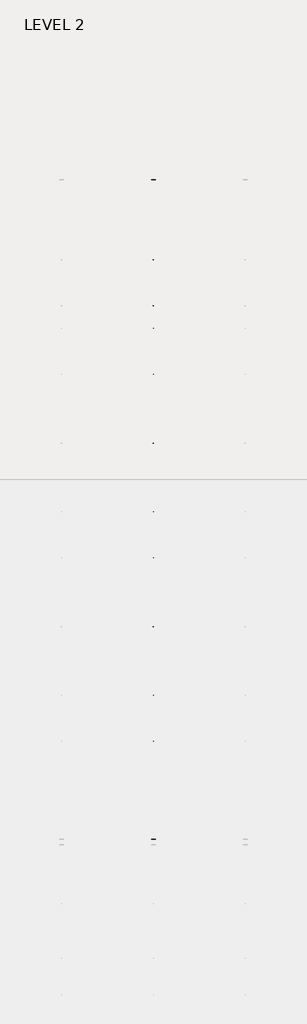
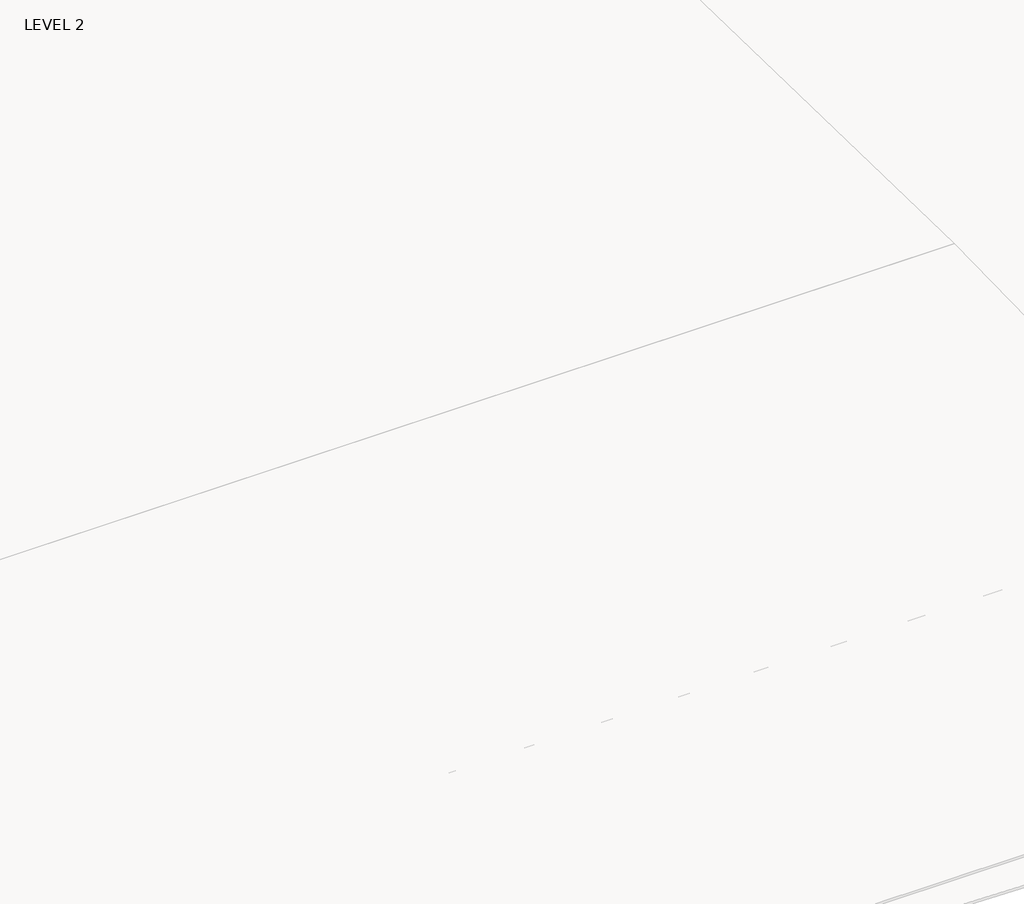
# One storey, part 60 of 67: 1 beam.
"""IFC4 building model written with IfcOpenShell, lengths in millimetres."""

from ifc_helpers import new_model, si_unit, frame, origin, place, context, project, spatial, polyline, outline, extrude, faceted_brep, element, save

model = new_model("IFC4")

# Units and contexts
model_context = context("Model", 3, world=origin())
ifc_project = project(units=[si_unit("LENGTHUNIT", "METRE", prefix="MILLI")], contexts=[model_context])

# Site, building, storey
site = spatial("IfcSite", under=ifc_project)
building = spatial("IfcBuilding", under=site)
storey = spatial("IfcBuildingStorey", under=building, Name="LEVEL 2", Elevation=6908.8)

# Beam
placement = place(None, origin())
element("IfcBeam", 1, ObjectType="K-Series Bar Joist-Angle Web : 30K7", at=placement, inside=storey, context=model_context, shape_type="SolidModel", body=[
    extrude(outline(polyline([(0.0, -9.525), (0.0, 0.0), (1596.011582, 0.0), (1596.011582, -9.525), (0.0, -9.525)])), frame((53750.3201342, 3035.5608234, 6301.5998528), z_axis=(0.0, -0.45537207995192985, 0.8903012236317849), x_axis=(0.0, -0.8903012236317849, -0.45537207995192985)), (0.0, 0.0, 1.0), 9.525),
    extrude(outline(polyline([(0.0, -9.525), (0.0, 0.0), (1596.011582, 0.0), (1596.011582, -9.525), (0.0, -9.525)])), frame((53740.7951342, -9405.2089013, 6276.405159), z_axis=(0.0, 0.45176233395621196, 0.8921383265046045), x_axis=(0.0, 0.8921383265046045, -0.45176233395621196)), (0.0, 0.0, 1.0), 9.525),
    extrude(outline(polyline([(4.7625, 4.7625), (4.7625, -4.7625), (-4.7625, -4.7625), (-4.7625, 4.7625), (4.7625, 4.7625)])), frame((53745.5576342, 1612.4610495, 5579.0607987), z_axis=(0.0, 0.5141906943646374, 0.8576758885667779), x_axis=(-1.0, 0.0, 0.0)), (0.0, 0.0, 1.0), 845.0528554),
    extrude(outline(polyline([(4.7625, 4.7625), (4.7625, -4.7625), (-4.7625, -4.7625), (-4.7625, 4.7625), (4.7625, 4.7625)])), frame((53745.5576342, -7979.1942813, 5559.6360505), z_axis=(0.0, -0.5176603441548682, 0.8555862131249332), x_axis=(-1.0, 0.0, 0.0)), (0.0, 0.0, 1.0), 845.0528554),
    extrude(outline(polyline([(0.0, 0.0), (31.75, 0.0), (31.75, -6.35), (6.35, -6.35), (6.35, -31.75), (0.0, -31.75), (0.0, 0.0)])), frame((53750.3201342, -8080.7812131, 5553.0803065), z_axis=(0.0, 0.9999979493462576, 0.0020251674695521043), x_axis=(1.0, 0.0, 0.0)), (0.0, 0.0, 1.0), 9794.875),
    extrude(outline(polyline([(-9.525, 0.0), (-9.525, -31.75), (-15.875, -31.75), (-15.875, -6.35), (-41.275, -6.35), (-41.275, 0.0), (-9.525, 0.0)])), frame((53750.3201342, -8080.7812131, 5553.0803065), z_axis=(0.0, 0.9999979493462576, 0.0020251674695521043), x_axis=(1.0, 0.0, 0.0)), (0.0, 0.0, 1.0), 9794.875),
    extrude(outline(polyline([(-31.75, 0.0), (0.0, 0.0), (0.0, -6.35), (-25.4, -6.35), (-25.4, -31.75), (-31.75, -31.75), (-31.75, 0.0)])), frame((53782.0701342, -9504.5928758, 6248.6982759), z_axis=(0.0, 0.9999979493462576, 0.0020251674695521043), x_axis=(1.0, 0.0, 0.0)), (0.0, 0.0, 1.0), 101.6),
    extrude(outline(polyline([(-41.275, 0.0), (-41.275, -31.75), (-47.625, -31.75), (-47.625, -6.35), (-73.025, -6.35), (-73.025, 0.0), (-41.275, 0.0)])), frame((53782.0701342, -9504.5928758, 6248.6982759), z_axis=(0.0, 0.9999979493462576, 0.0020251674695521043), x_axis=(1.0, 0.0, 0.0)), (0.0, 0.0, 1.0), 101.6),
    extrude(outline(polyline([(0.0, 0.0), (31.75, 0.0), (31.75, -6.35), (6.35, -6.35), (6.35, -31.75), (0.0, -31.75), (0.0, 0.0)])), frame((53740.7951342, 3033.456413, 6274.0899775), z_axis=(0.0, 0.9999979493462576, 0.0020251674695521043), x_axis=(0.0, -0.0020251674695521043, 0.9999979493462576)), (0.0, 0.0, 1.0), 101.6),
    extrude(outline(polyline([(0.0, 41.275), (6.35, 41.275), (6.35, 15.875), (31.75, 15.875), (31.75, 9.525), (0.0, 9.525), (0.0, 41.275)])), frame((53740.7951342, 3033.456413, 6274.0899775), z_axis=(0.0, 0.9999979493462576, 0.0020251674695521043), x_axis=(0.0, -0.0020251674695521043, 0.9999979493462576)), (0.0, 0.0, 1.0), 101.6),
    extrude(outline(polyline([(0.0, 0.0), (31.75, 0.0), (31.75, -6.35), (6.35, -6.35), (6.35, -31.75), (0.0, -31.75), (0.0, 0.0)])), frame((53750.3201342, -9504.7214739, 6312.1981457), z_axis=(0.0, 0.9999979493462576, 0.0020251674695521043), x_axis=(0.0, 0.0020251674695521043, -0.9999979493462576)), (0.0, 0.0, 1.0), 12639.675),
    extrude(outline(polyline([(0.0, 9.525), (0.0, 41.275), (6.35, 41.275), (6.35, 15.875), (31.75, 15.875), (31.75, 9.525), (0.0, 9.525)])), frame((53750.3201342, -9504.7214739, 6312.1981457), z_axis=(0.0, 0.9999979493462576, 0.0020251674695521043), x_axis=(0.0, 0.0020251674695521043, -0.9999979493462576)), (0.0, 0.0, 1.0), 12639.675),
    faceted_brep([(53745.5576342, 1612.4289, 5594.9357661), (53745.5576342, 1612.4674794, 5575.8858052), (53740.7951342, 1612.4674794, 5575.8858052), (53740.7951342, 1612.4289, 5594.9357661), (53745.5576342, 1611.5910583, 5594.9340693), (53745.5576342, 1186.8149607, 6330.6753354), (53745.5576342, 1168.6028414, 6330.6384527), (53745.5576342, 1168.6414208, 6311.5884918), (53745.5576342, 1175.8292494, 6311.6030483), (53745.5576342, 1600.6053471, 5575.8617823), (53740.7951342, 1600.6053471, 5575.8617823), (53740.7951342, 1580.4651011, 5610.7460665), (53740.7951342, 1584.5895575, 5613.1272983), (53740.7951342, 1189.1083632, 6298.1277874), (53740.7951342, 1184.9839067, 6295.7465555), (53740.7951342, 1175.8292494, 6311.6030483), (53740.7951342, 1168.6414208, 6311.5884918), (53740.7951342, 1168.6028414, 6330.6384527), (53740.7951342, 1186.8149607, 6330.6753354), (53740.7951342, 1611.5910583, 5594.9340693), (53728.0951342, 1184.9839067, 6295.7465555), (53728.0951342, 1580.4651011, 5610.7460665), (53728.0951342, 1584.5895575, 5613.1272983), (53728.0951342, 1189.1083632, 6298.1277874)], [[[0, 1, 2, 3]], [[1, 0, 4, 5, 6, 7, 8, 9]], [[2, 1, 9, 10]], [[3, 2, 10, 11, 12, 13, 14, 15, 16, 17, 18, 19]], [[0, 3, 19, 4]], [[9, 8, 15, 14, 20, 21, 11, 10]], [[5, 4, 19, 18]], [[7, 6, 17, 16]], [[8, 7, 16, 15]], [[6, 5, 18, 17]], [[21, 22, 12, 11]], [[20, 14, 13, 23]], [[22, 21, 20, 23]], [[12, 22, 23, 13]]]),
    extrude(outline(polyline([(740.498813, 5574.119919), (740.4602335, 5593.1698799), (741.2980751, 5593.1715767), (1163.090696, 6330.6272897), (1181.3028154, 6330.6641723), (1181.3413948, 6311.6142114), (1174.1535662, 6311.5996548), (752.3609453, 5574.1439418), (740.498813, 5574.119919)])), frame((53745.5576342, 0.0, 0.0), z_axis=(1.0, 0.0, 0.0), x_axis=(0.0, 1.0, 0.0)), (0.0, 0.0, 1.0), 4.7625),
    extrude(outline(polyline([(-4.7625, 4.7625), (-4.7625, 0.0), (-17.4625, 0.0), (-17.4625, 4.7625), (-4.7625, 4.7625)])), frame((53745.5576342, 772.3597334, 5609.1095144), z_axis=(0.0, 0.4964843899757221, 0.8680456500152716), x_axis=(-1.0, 0.0, 0.0)), (0.0, 0.0, 1.0), 790.9684223),
    faceted_brep([(53745.5576342, -7107.2577644, 5577.2769041), (53745.5576342, -7107.219185, 5558.2269432), (53740.7951342, -7107.219185, 5558.2269432), (53740.7951342, -7107.2577644, 5577.2769041), (53745.5576342, -7108.095606, 5577.2752074), (53745.5576342, -7532.8717036, 6313.0164734), (53745.5576342, -7551.083823, 6312.9795907), (53745.5576342, -7551.0452435, 6293.9296298), (53745.5576342, -7543.8574149, 6293.9441864), (53745.5576342, -7119.0813173, 5558.2029203), (53740.7951342, -7119.0813173, 5558.2029203), (53740.7951342, -7139.2215633, 5593.0872045), (53740.7951342, -7135.0971068, 5595.4684363), (53740.7951342, -7530.5783012, 6280.4689254), (53740.7951342, -7534.7027576, 6278.0876936), (53740.7951342, -7543.8574149, 6293.9441864), (53740.7951342, -7551.0452435, 6293.9296298), (53740.7951342, -7551.083823, 6312.9795907), (53740.7951342, -7532.8717036, 6313.0164734), (53740.7951342, -7108.095606, 5577.2752074), (53728.0951342, -7534.7027576, 6278.0876936), (53728.0951342, -7139.2215633, 5593.0872045), (53728.0951342, -7135.0971068, 5595.4684363), (53728.0951342, -7530.5783012, 6280.4689254)], [[[0, 1, 2, 3]], [[1, 0, 4, 5, 6, 7, 8, 9]], [[2, 1, 9, 10]], [[3, 2, 10, 11, 12, 13, 14, 15, 16, 17, 18, 19]], [[0, 3, 19, 4]], [[9, 8, 15, 14, 20, 21, 11, 10]], [[5, 4, 19, 18]], [[7, 6, 17, 16]], [[8, 7, 16, 15]], [[6, 5, 18, 17]], [[21, 22, 12, 11]], [[20, 14, 13, 23]], [[22, 21, 20, 23]], [[12, 22, 23, 13]]]),
    extrude(outline(polyline([(-7979.1878514, 5556.461057), (-7979.2264308, 5575.5110179), (-7978.3885892, 5575.5127147), (-7556.5959683, 6312.9684277), (-7538.383849, 6313.0053103), (-7538.3452696, 6293.9553494), (-7545.5330982, 6293.9407928), (-7967.3257191, 5556.4850798), (-7979.1878514, 5556.461057)])), frame((53745.5576342, 0.0, 0.0), z_axis=(1.0, 0.0, 0.0), x_axis=(0.0, 1.0, 0.0)), (0.0, 0.0, 1.0), 4.7625),
    extrude(outline(polyline([(-4.7625, 4.7625), (-4.7625, 0.0), (-17.4625, 0.0), (-17.4625, 4.7625), (-4.7625, 4.7625)])), frame((53745.5576342, -7947.326931, 5591.4506524), z_axis=(0.0, 0.4964843899757221, 0.8680456500152716), x_axis=(-1.0, 0.0, 0.0)), (0.0, 0.0, 1.0), 790.9684223),
    faceted_brep([(53745.5576342, 740.4602335, 5593.1698799), (53745.5576342, 740.498813, 5574.119919), (53740.7951342, 740.498813, 5574.119919), (53740.7951342, 740.4602335, 5593.1698799), (53745.5576342, 739.6223919, 5593.1681831), (53745.5576342, 314.8462943, 6328.9094492), (53745.5576342, 296.634175, 6328.8725665), (53745.5576342, 296.6727544, 6309.8226056), (53745.5576342, 303.860583, 6309.8371621), (53745.5576342, 728.6366806, 5574.0958961), (53740.7951342, 728.6366806, 5574.0958961), (53740.7951342, 708.4964346, 5608.9801803), (53740.7951342, 712.6208911, 5611.3614121), (53740.7951342, 317.1396968, 6296.3619012), (53740.7951342, 313.0152403, 6293.9806693), (53740.7951342, 303.860583, 6309.8371621), (53740.7951342, 296.6727544, 6309.8226056), (53740.7951342, 296.634175, 6328.8725665), (53740.7951342, 314.8462943, 6328.9094492), (53740.7951342, 739.6223919, 5593.1681831), (53728.0951342, 313.0152403, 6293.9806693), (53728.0951342, 708.4964346, 5608.9801803), (53728.0951342, 712.6208911, 5611.3614121), (53728.0951342, 317.1396968, 6296.3619012)], [[[0, 1, 2, 3]], [[1, 0, 4, 5, 6, 7, 8, 9]], [[2, 1, 9, 10]], [[3, 2, 10, 11, 12, 13, 14, 15, 16, 17, 18, 19]], [[0, 3, 19, 4]], [[9, 8, 15, 14, 20, 21, 11, 10]], [[5, 4, 19, 18]], [[7, 6, 17, 16]], [[8, 7, 16, 15]], [[6, 5, 18, 17]], [[21, 22, 12, 11]], [[20, 14, 13, 23]], [[22, 21, 20, 23]], [[12, 22, 23, 13]]]),
    extrude(outline(polyline([(-131.4698535, 5572.3540328), (-131.5084329, 5591.4039937), (-130.6705913, 5591.4056905), (291.1220296, 6328.8614035), (309.3341489, 6328.8982861), (309.3727284, 6309.8483252), (302.1848998, 6309.8337686), (-119.6077211, 5572.3780556), (-131.4698535, 5572.3540328)])), frame((53745.5576342, 0.0, 0.0), z_axis=(1.0, 0.0, 0.0), x_axis=(0.0, 1.0, 0.0)), (0.0, 0.0, 1.0), 4.7625),
    extrude(outline(polyline([(-4.7625, 4.7625), (-4.7625, 0.0), (-17.4625, 0.0), (-17.4625, 4.7625), (-4.7625, 4.7625)])), frame((53745.5576342, -99.6089331, 5607.3436282), z_axis=(0.0, 0.4964843899757221, 0.8680456500152716), x_axis=(-1.0, 0.0, 0.0)), (0.0, 0.0, 1.0), 790.9684223),
    faceted_brep([(53745.5576342, -131.5084329, 5591.4039937), (53745.5576342, -131.4698535, 5572.3540328), (53740.7951342, -131.4698535, 5572.3540328), (53740.7951342, -131.5084329, 5591.4039937), (53745.5576342, -132.3462745, 5591.4022969), (53745.5576342, -557.1223722, 6327.143563), (53745.5576342, -575.3344915, 6327.1066803), (53745.5576342, -575.295912, 6308.0567194), (53745.5576342, -568.1080834, 6308.0712759), (53745.5576342, -143.3319858, 5572.3300099), (53740.7951342, -143.3319858, 5572.3300099), (53740.7951342, -163.4722318, 5607.2142941), (53740.7951342, -159.3477753, 5609.5955259), (53740.7951342, -554.8289697, 6294.596015), (53740.7951342, -558.9534262, 6292.2147831), (53740.7951342, -568.1080834, 6308.0712759), (53740.7951342, -575.295912, 6308.0567194), (53740.7951342, -575.3344915, 6327.1066803), (53740.7951342, -557.1223722, 6327.143563), (53740.7951342, -132.3462745, 5591.4022969), (53728.0951342, -558.9534262, 6292.2147831), (53728.0951342, -163.4722318, 5607.2142941), (53728.0951342, -159.3477753, 5609.5955259), (53728.0951342, -554.8289697, 6294.596015)], [[[0, 1, 2, 3]], [[1, 0, 4, 5, 6, 7, 8, 9]], [[2, 1, 9, 10]], [[3, 2, 10, 11, 12, 13, 14, 15, 16, 17, 18, 19]], [[0, 3, 19, 4]], [[9, 8, 15, 14, 20, 21, 11, 10]], [[5, 4, 19, 18]], [[7, 6, 17, 16]], [[8, 7, 16, 15]], [[6, 5, 18, 17]], [[21, 22, 12, 11]], [[20, 14, 13, 23]], [[22, 21, 20, 23]], [[12, 22, 23, 13]]]),
    extrude(outline(polyline([(-1003.4385199, 5570.5881466), (-1003.4770993, 5589.6381075), (-1002.6392577, 5589.6398043), (-580.8466368, 6327.0955173), (-562.6345175, 6327.1323999), (-562.5959381, 6308.082439), (-569.7837667, 6308.0678824), (-991.5763876, 5570.6121694), (-1003.4385199, 5570.5881466)])), frame((53745.5576342, 0.0, 0.0), z_axis=(1.0, 0.0, 0.0), x_axis=(0.0, 1.0, 0.0)), (0.0, 0.0, 1.0), 4.7625),
    extrude(outline(polyline([(-4.7625, 4.7625), (-4.7625, 0.0), (-17.4625, 0.0), (-17.4625, 4.7625), (-4.7625, 4.7625)])), frame((53745.5576342, -971.5775995, 5605.577742), z_axis=(0.0, 0.4964843899757221, 0.8680456500152716), x_axis=(-1.0, 0.0, 0.0)), (0.0, 0.0, 1.0), 790.9684223),
    faceted_brep([(53745.5576342, -1003.4770993, 5589.6381075), (53745.5576342, -1003.4385199, 5570.5881466), (53740.7951342, -1003.4385199, 5570.5881466), (53740.7951342, -1003.4770993, 5589.6381075), (53745.5576342, -1004.314941, 5589.6364107), (53745.5576342, -1429.0910386, 6325.3776768), (53745.5576342, -1447.3031579, 6325.3407941), (53745.5576342, -1447.2645785, 6306.2908332), (53745.5576342, -1440.0767499, 6306.3053897), (53745.5576342, -1015.3006522, 5570.5641237), (53740.7951342, -1015.3006522, 5570.5641237), (53740.7951342, -1035.4408983, 5605.4484079), (53740.7951342, -1031.3164418, 5607.8296397), (53740.7951342, -1426.7976361, 6292.8301288), (53740.7951342, -1430.9220926, 6290.4488969), (53740.7951342, -1440.0767499, 6306.3053897), (53740.7951342, -1447.2645785, 6306.2908332), (53740.7951342, -1447.3031579, 6325.3407941), (53740.7951342, -1429.0910386, 6325.3776768), (53740.7951342, -1004.314941, 5589.6364107), (53728.0951342, -1430.9220926, 6290.4488969), (53728.0951342, -1035.4408983, 5605.4484079), (53728.0951342, -1031.3164418, 5607.8296397), (53728.0951342, -1426.7976361, 6292.8301288)], [[[0, 1, 2, 3]], [[1, 0, 4, 5, 6, 7, 8, 9]], [[2, 1, 9, 10]], [[3, 2, 10, 11, 12, 13, 14, 15, 16, 17, 18, 19]], [[0, 3, 19, 4]], [[9, 8, 15, 14, 20, 21, 11, 10]], [[5, 4, 19, 18]], [[7, 6, 17, 16]], [[8, 7, 16, 15]], [[6, 5, 18, 17]], [[21, 22, 12, 11]], [[20, 14, 13, 23]], [[22, 21, 20, 23]], [[12, 22, 23, 13]]]),
    extrude(outline(polyline([(-1875.4071863, 5568.8222604), (-1875.4457658, 5587.8722213), (-1874.6079242, 5587.8739181), (-1452.8153033, 6325.3296311), (-1434.6031839, 6325.3665137), (-1434.5646045, 6306.3165528), (-1441.7524331, 6306.3019962), (-1863.545054, 5568.8462832), (-1875.4071863, 5568.8222604)])), frame((53745.5576342, 0.0, 0.0), z_axis=(1.0, 0.0, 0.0), x_axis=(0.0, 1.0, 0.0)), (0.0, 0.0, 1.0), 4.7625),
    extrude(outline(polyline([(-4.7625, 4.7625001), (-4.7625, 0.0), (-17.4625, 0.0), (-17.4625, 4.7625001), (-4.7625, 4.7625001)])), frame((53745.5576342, -1843.5462659, 5603.8118558), z_axis=(0.0, 0.4964843899757221, 0.8680456500152716), x_axis=(-1.0, 0.0, 0.0)), (0.0, 0.0, 1.0), 790.9684223),
    faceted_brep([(53745.5576342, -1875.4457658, 5587.8722213), (53745.5576342, -1875.4071863, 5568.8222604), (53740.7951342, -1875.4071863, 5568.8222604), (53740.7951342, -1875.4457658, 5587.8722213), (53745.5576342, -1876.2836074, 5587.8705245), (53745.5576342, -2301.059705, 6323.6117906), (53745.5576342, -2319.2718243, 6323.5749079), (53745.5576342, -2319.2332449, 6304.524947), (53745.5576342, -2312.0454163, 6304.5395035), (53745.5576342, -1887.2693187, 5568.7982375), (53740.7951342, -1887.2693187, 5568.7982375), (53740.7951342, -1907.4095647, 5603.6825217), (53740.7951342, -1903.2851082, 5606.0637535), (53740.7951342, -2298.7663026, 6291.0642426), (53740.7951342, -2302.890759, 6288.6830107), (53740.7951342, -2312.0454163, 6304.5395035), (53740.7951342, -2319.2332449, 6304.524947), (53740.7951342, -2319.2718243, 6323.5749079), (53740.7951342, -2301.059705, 6323.6117906), (53740.7951342, -1876.2836074, 5587.8705245), (53728.0951342, -2302.890759, 6288.6830107), (53728.0951342, -1907.4095647, 5603.6825217), (53728.0951342, -1903.2851082, 5606.0637535), (53728.0951342, -2298.7663026, 6291.0642426)], [[[0, 1, 2, 3]], [[1, 0, 4, 5, 6, 7, 8, 9]], [[2, 1, 9, 10]], [[3, 2, 10, 11, 12, 13, 14, 15, 16, 17, 18, 19]], [[0, 3, 19, 4]], [[9, 8, 15, 14, 20, 21, 11, 10]], [[5, 4, 19, 18]], [[7, 6, 17, 16]], [[8, 7, 16, 15]], [[6, 5, 18, 17]], [[21, 22, 12, 11]], [[20, 14, 13, 23]], [[22, 21, 20, 23]], [[12, 22, 23, 13]]]),
    extrude(outline(polyline([(-2747.3758528, 5567.0563742), (-2747.4144322, 5586.1063351), (-2746.5765906, 5586.1080319), (-2324.7839697, 6323.5637449), (-2306.5718504, 6323.6006275), (-2306.5332709, 6304.5506666), (-2313.7210995, 6304.53611), (-2735.5137204, 5567.080397), (-2747.3758528, 5567.0563742)])), frame((53745.5576342, 0.0, 0.0), z_axis=(1.0, 0.0, 0.0), x_axis=(0.0, 1.0, 0.0)), (0.0, 0.0, 1.0), 4.7625),
    extrude(outline(polyline([(-4.7625, 4.7625), (-4.7625, 0.0), (-17.4625, 0.0), (-17.4625, 4.7625), (-4.7625, 4.7625)])), frame((53745.5576342, -2715.5149324, 5602.0459696), z_axis=(0.0, 0.4964843899757221, 0.8680456500152716), x_axis=(-1.0, 0.0, 0.0)), (0.0, 0.0, 1.0), 790.9684223),
    faceted_brep([(53745.5576342, -2747.4144322, 5586.1063351), (53745.5576342, -2747.3758528, 5567.0563742), (53740.7951342, -2747.3758528, 5567.0563742), (53740.7951342, -2747.4144322, 5586.1063351), (53745.5576342, -2748.2522738, 5586.1046383), (53745.5576342, -3173.0283715, 6321.8459044), (53745.5576342, -3191.2404908, 6321.8090217), (53745.5576342, -3191.2019113, 6302.7590608), (53745.5576342, -3184.0140827, 6302.7736173), (53745.5576342, -2759.2379851, 5567.0323513), (53740.7951342, -2759.2379851, 5567.0323513), (53740.7951342, -2779.3782311, 5601.9166355), (53740.7951342, -2775.2537747, 5604.2978673), (53740.7951342, -3170.734969, 6289.2983564), (53740.7951342, -3174.8594255, 6286.9171245), (53740.7951342, -3184.0140827, 6302.7736173), (53740.7951342, -3191.2019113, 6302.7590608), (53740.7951342, -3191.2404908, 6321.8090217), (53740.7951342, -3173.0283715, 6321.8459044), (53740.7951342, -2748.2522738, 5586.1046383), (53728.0951342, -3174.8594255, 6286.9171245), (53728.0951342, -2779.3782311, 5601.9166355), (53728.0951342, -2775.2537747, 5604.2978673), (53728.0951342, -3170.734969, 6289.2983564)], [[[0, 1, 2, 3]], [[1, 0, 4, 5, 6, 7, 8, 9]], [[2, 1, 9, 10]], [[3, 2, 10, 11, 12, 13, 14, 15, 16, 17, 18, 19]], [[0, 3, 19, 4]], [[9, 8, 15, 14, 20, 21, 11, 10]], [[5, 4, 19, 18]], [[7, 6, 17, 16]], [[8, 7, 16, 15]], [[6, 5, 18, 17]], [[21, 22, 12, 11]], [[20, 14, 13, 23]], [[22, 21, 20, 23]], [[12, 22, 23, 13]]]),
    extrude(outline(polyline([(-3619.3445192, 5565.290488), (-3619.3830987, 5584.3404489), (-3618.545257, 5584.3421457), (-3196.7526361, 6321.7978587), (-3178.5405168, 6321.8347413), (-3178.5019374, 6302.7847804), (-3185.689766, 6302.7702238), (-3607.4823869, 5565.3145108), (-3619.3445192, 5565.290488)])), frame((53745.5576342, 0.0, 0.0), z_axis=(1.0, 0.0, 0.0), x_axis=(0.0, 1.0, 0.0)), (0.0, 0.0, 1.0), 4.7625),
    extrude(outline(polyline([(-4.7625, 4.7625), (-4.7625, 0.0), (-17.4625, 0.0), (-17.4625, 4.7625), (-4.7625, 4.7625)])), frame((53745.5576342, -3587.4835988, 5600.2800834), z_axis=(0.0, 0.4964843899757221, 0.8680456500152716), x_axis=(-1.0, 0.0, 0.0)), (0.0, 0.0, 1.0), 790.9684223),
    faceted_brep([(53745.5576342, -3619.3830987, 5584.3404489), (53745.5576342, -3619.3445192, 5565.290488), (53740.7951342, -3619.3445192, 5565.290488), (53740.7951342, -3619.3830987, 5584.3404489), (53745.5576342, -3620.2209403, 5584.3387521), (53745.5576342, -4044.9970379, 6320.0800182), (53745.5576342, -4063.2091572, 6320.0431355), (53745.5576342, -4063.1705778, 6300.9931746), (53745.5576342, -4055.9827492, 6301.0077311), (53745.5576342, -3631.2066516, 5565.2664651), (53740.7951342, -3631.2066516, 5565.2664651), (53740.7951342, -3651.3468976, 5600.1507493), (53740.7951342, -3647.2224411, 5602.5319811), (53740.7951342, -4042.7036354, 6287.5324702), (53740.7951342, -4046.8280919, 6285.1512383), (53740.7951342, -4055.9827492, 6301.0077311), (53740.7951342, -4063.1705778, 6300.9931746), (53740.7951342, -4063.2091572, 6320.0431355), (53740.7951342, -4044.9970379, 6320.0800182), (53740.7951342, -3620.2209403, 5584.3387521), (53728.0951342, -4046.8280919, 6285.1512383), (53728.0951342, -3651.3468976, 5600.1507493), (53728.0951342, -3647.2224411, 5602.5319811), (53728.0951342, -4042.7036354, 6287.5324702)], [[[0, 1, 2, 3]], [[1, 0, 4, 5, 6, 7, 8, 9]], [[2, 1, 9, 10]], [[3, 2, 10, 11, 12, 13, 14, 15, 16, 17, 18, 19]], [[0, 3, 19, 4]], [[9, 8, 15, 14, 20, 21, 11, 10]], [[5, 4, 19, 18]], [[7, 6, 17, 16]], [[8, 7, 16, 15]], [[6, 5, 18, 17]], [[21, 22, 12, 11]], [[20, 14, 13, 23]], [[22, 21, 20, 23]], [[12, 22, 23, 13]]]),
    extrude(outline(polyline([(-4491.3131857, 5563.5246018), (-4491.3517651, 5582.5745627), (-4490.5139235, 5582.5762595), (-4068.7213026, 6320.0319725), (-4050.5091833, 6320.0688551), (-4050.4706038, 6301.0188942), (-4057.6584324, 6301.0043376), (-4479.4510533, 5563.5486246), (-4491.3131857, 5563.5246018)])), frame((53745.5576342, 0.0, 0.0), z_axis=(1.0, 0.0, 0.0), x_axis=(0.0, 1.0, 0.0)), (0.0, 0.0, 1.0), 4.7625),
    extrude(outline(polyline([(-4.7625, 4.7625), (-4.7625, 0.0), (-17.4625, 0.0), (-17.4625, 4.7625), (-4.7625, 4.7625)])), frame((53745.5576342, -4459.4522653, 5598.5141972), z_axis=(0.0, 0.4964843899757221, 0.8680456500152716), x_axis=(-1.0, 0.0, 0.0)), (0.0, 0.0, 1.0), 790.9684223),
    faceted_brep([(53745.5576342, -4491.3517651, 5582.5745627), (53745.5576342, -4491.3131857, 5563.5246018), (53740.7951342, -4491.3131857, 5563.5246018), (53740.7951342, -4491.3517651, 5582.5745627), (53745.5576342, -4492.1896067, 5582.572866), (53745.5576342, -4916.9657043, 6318.314132), (53745.5576342, -4935.1778236, 6318.2772493), (53745.5576342, -4935.1392442, 6299.2272884), (53745.5576342, -4927.9514156, 6299.241845), (53745.5576342, -4503.175318, 5563.5005789), (53740.7951342, -4503.175318, 5563.5005789), (53740.7951342, -4523.315564, 5598.3848631), (53740.7951342, -4519.1911075, 5600.7660949), (53740.7951342, -4914.6723019, 6285.766584), (53740.7951342, -4918.7967583, 6283.3853521), (53740.7951342, -4927.9514156, 6299.241845), (53740.7951342, -4935.1392442, 6299.2272884), (53740.7951342, -4935.1778236, 6318.2772493), (53740.7951342, -4916.9657043, 6318.314132), (53740.7951342, -4492.1896067, 5582.572866), (53728.0951342, -4918.7967583, 6283.3853521), (53728.0951342, -4523.315564, 5598.3848631), (53728.0951342, -4519.1911075, 5600.7660949), (53728.0951342, -4914.6723019, 6285.766584)], [[[0, 1, 2, 3]], [[1, 0, 4, 5, 6, 7, 8, 9]], [[2, 1, 9, 10]], [[3, 2, 10, 11, 12, 13, 14, 15, 16, 17, 18, 19]], [[0, 3, 19, 4]], [[9, 8, 15, 14, 20, 21, 11, 10]], [[5, 4, 19, 18]], [[7, 6, 17, 16]], [[8, 7, 16, 15]], [[6, 5, 18, 17]], [[21, 22, 12, 11]], [[20, 14, 13, 23]], [[22, 21, 20, 23]], [[12, 22, 23, 13]]]),
    extrude(outline(polyline([(-5363.2818521, 5561.7587156), (-5363.3204315, 5580.8086765), (-5362.4825899, 5580.8103733), (-4940.689969, 6318.2660863), (-4922.4778497, 6318.3029689), (-4922.4392703, 6299.253008), (-4929.6270988, 6299.2384514), (-5351.4197198, 5561.7827384), (-5363.2818521, 5561.7587156)])), frame((53745.5576342, 0.0, 0.0), z_axis=(1.0, 0.0, 0.0), x_axis=(0.0, 1.0, 0.0)), (0.0, 0.0, 1.0), 4.7625),
    extrude(outline(polyline([(-4.7625, 4.7625), (-4.7625, 0.0), (-17.4625, 0.0), (-17.4625, 4.7625), (-4.7625, 4.7625)])), frame((53745.5576342, -5331.4209317, 5596.748311), z_axis=(0.0, 0.4964843899757221, 0.8680456500152716), x_axis=(-1.0, 0.0, 0.0)), (0.0, 0.0, 1.0), 790.9684223),
    faceted_brep([(53745.5576342, -5363.3204315, 5580.8086765), (53745.5576342, -5363.2818521, 5561.7587156), (53740.7951342, -5363.2818521, 5561.7587156), (53740.7951342, -5363.3204315, 5580.8086765), (53745.5576342, -5364.1582731, 5580.8069798), (53745.5576342, -5788.9343708, 6316.5482458), (53745.5576342, -5807.1464901, 6316.5113631), (53745.5576342, -5807.1079106, 6297.4614022), (53745.5576342, -5799.920082, 6297.4759588), (53745.5576342, -5375.1439844, 5561.7346927), (53740.7951342, -5375.1439844, 5561.7346927), (53740.7951342, -5395.2842304, 5596.6189769), (53740.7951342, -5391.159774, 5599.0002087), (53740.7951342, -5786.6409683, 6284.0006978), (53740.7951342, -5790.7654248, 6281.6194659), (53740.7951342, -5799.920082, 6297.4759588), (53740.7951342, -5807.1079106, 6297.4614022), (53740.7951342, -5807.1464901, 6316.5113631), (53740.7951342, -5788.9343708, 6316.5482458), (53740.7951342, -5364.1582731, 5580.8069798), (53728.0951342, -5790.7654248, 6281.6194659), (53728.0951342, -5395.2842304, 5596.6189769), (53728.0951342, -5391.159774, 5599.0002087), (53728.0951342, -5786.6409683, 6284.0006978)], [[[0, 1, 2, 3]], [[1, 0, 4, 5, 6, 7, 8, 9]], [[2, 1, 9, 10]], [[3, 2, 10, 11, 12, 13, 14, 15, 16, 17, 18, 19]], [[0, 3, 19, 4]], [[9, 8, 15, 14, 20, 21, 11, 10]], [[5, 4, 19, 18]], [[7, 6, 17, 16]], [[8, 7, 16, 15]], [[6, 5, 18, 17]], [[21, 22, 12, 11]], [[20, 14, 13, 23]], [[22, 21, 20, 23]], [[12, 22, 23, 13]]]),
    extrude(outline(polyline([(-6235.2505185, 5559.9928294), (-6235.289098, 5579.0427903), (-6234.4512563, 5579.0444871), (-5812.6586354, 6316.5002001), (-5794.4465161, 6316.5370827), (-5794.4079367, 6297.4871218), (-5801.5957653, 6297.4725652), (-6223.3883862, 5560.0168522), (-6235.2505185, 5559.9928294)])), frame((53745.5576342, 0.0, 0.0), z_axis=(1.0, 0.0, 0.0), x_axis=(0.0, 1.0, 0.0)), (0.0, 0.0, 1.0), 4.7625),
    extrude(outline(polyline([(-4.7625, 4.7625), (-4.7625, 0.0), (-17.4625, 0.0), (-17.4625, 4.7625), (-4.7625, 4.7625)])), frame((53745.5576342, -6203.3895981, 5594.9824248), z_axis=(0.0, 0.4964843899757221, 0.8680456500152716), x_axis=(-1.0, 0.0, 0.0)), (0.0, 0.0, 1.0), 790.9684223),
    faceted_brep([(53745.5576342, -6235.289098, 5579.0427903), (53745.5576342, -6235.2505185, 5559.9928294), (53740.7951342, -6235.2505185, 5559.9928294), (53740.7951342, -6235.289098, 5579.0427903), (53745.5576342, -6236.1269396, 5579.0410936), (53745.5576342, -6660.9030372, 6314.7823596), (53745.5576342, -6679.1151565, 6314.7454769), (53745.5576342, -6679.0765771, 6295.695516), (53745.5576342, -6671.8887485, 6295.7100726), (53745.5576342, -6247.1126509, 5559.9688065), (53740.7951342, -6247.1126509, 5559.9688065), (53740.7951342, -6267.2528969, 5594.8530907), (53740.7951342, -6263.1284404, 5597.2343225), (53740.7951342, -6658.6096347, 6282.2348116), (53740.7951342, -6662.7340912, 6279.8535798), (53740.7951342, -6671.8887485, 6295.7100726), (53740.7951342, -6679.0765771, 6295.695516), (53740.7951342, -6679.1151565, 6314.7454769), (53740.7951342, -6660.9030372, 6314.7823596), (53740.7951342, -6236.1269396, 5579.0410936), (53728.0951342, -6662.7340912, 6279.8535798), (53728.0951342, -6267.2528969, 5594.8530907), (53728.0951342, -6263.1284404, 5597.2343225), (53728.0951342, -6658.6096347, 6282.2348116)], [[[0, 1, 2, 3]], [[1, 0, 4, 5, 6, 7, 8, 9]], [[2, 1, 9, 10]], [[3, 2, 10, 11, 12, 13, 14, 15, 16, 17, 18, 19]], [[0, 3, 19, 4]], [[9, 8, 15, 14, 20, 21, 11, 10]], [[5, 4, 19, 18]], [[7, 6, 17, 16]], [[8, 7, 16, 15]], [[6, 5, 18, 17]], [[21, 22, 12, 11]], [[20, 14, 13, 23]], [[22, 21, 20, 23]], [[12, 22, 23, 13]]]),
    extrude(outline(polyline([(-7107.219185, 5558.2269432), (-7107.2577644, 5577.2769041), (-7106.4199228, 5577.2786009), (-6684.6273019, 6314.7343139), (-6666.4151826, 6314.7711965), (-6666.3766031, 6295.7212356), (-6673.5644317, 6295.706679), (-7095.3570526, 5558.250966), (-7107.219185, 5558.2269432)])), frame((53745.5576342, 0.0, 0.0), z_axis=(1.0, 0.0, 0.0), x_axis=(0.0, 1.0, 0.0)), (0.0, 0.0, 1.0), 4.7625),
    extrude(outline(polyline([(-4.7625, 4.7625), (-4.7625, 0.0), (-17.4625, 0.0), (-17.4625, 4.7625), (-4.7625, 4.7625)])), frame((53745.5576342, -7075.3582646, 5593.2165386), z_axis=(0.0, 0.4964843899757221, 0.8680456500152716), x_axis=(-1.0, 0.0, 0.0)), (0.0, 0.0, 1.0), 790.9684223),
])

save(model, "model.ifc")
